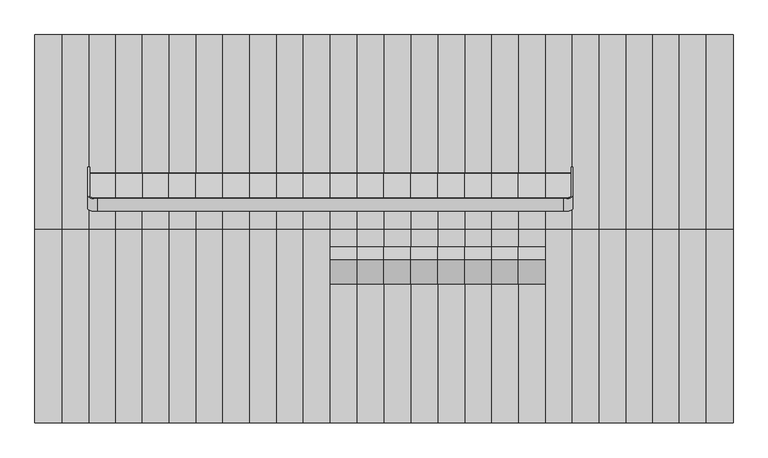
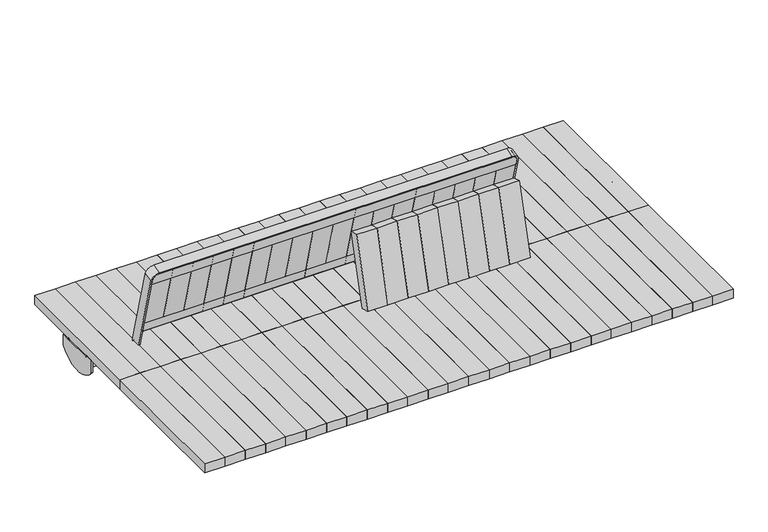
"""IFC4 building model written with IfcOpenShell, lengths in millimetres: furniture geometry."""

from ifc_helpers import new_model, si_unit, point, frame, frame_2d, origin, place, context, project, spatial, polyline, circle_curve, trimmed, segment, composite_curve, outline, extrude, source, transform, mapped, element, save
from ifc_brep_helpers import plane_surface, cylinder_surface, revolved_surface, advanced_brep


def furniture_eb3f9486(model_context):
    return source(origin(), model_context, "Body", "SolidModel", [
        advanced_brep(
        [(1073.85, 400.0, 393.1147491), (1073.85, 400.0, 347.7588499), (1073.85, 200.0, 347.7588499), (1073.85, 200.0004802, 395.6382749), (1073.85, 237.5004802, 395.6382749), (1073.85, 237.5004802, 393.1147491), (1073.85, 239.4872061, 393.1147491), (1073.85, 239.4872061, 340.151549), (1073.85, 244.4872061, 340.151549), (1073.85, 244.4872061, 393.1147491), (1073.85, 355.5132741, 393.1147491), (1073.85, 355.5132741, 340.151549), (1073.85, 360.5132741, 340.151549), (1073.85, 360.5132741, 393.1147491), (1078.85, 200.0, 347.7588499), (1078.85, 400.0, 347.7588499), (1078.85, 400.0, 393.1147491), (1078.85, 237.5004802, 393.1147491), (1078.85, 237.5004802, 400.6382749), (1078.85, 200.0004802, 400.6382749), (-1078.85, 200.0, 400.6382749), (-1078.85, 200.0, 347.7588499), (-1073.85, 200.0, 347.7588499), (-1073.85, 200.0, 395.6382749), (1073.85, 237.5004802, 400.6382749), (-1073.85, 237.5004802, 395.6382749), (-1073.85, 237.5004802, 393.1147491), (-1078.85, 237.5004802, 393.1147491), (-1078.85, 237.5004802, 395.6382749), (1073.85, 238.4872061, 400.6382749), (-1078.85, 238.4872061, 400.6382749), (-1078.85, 238.4872061, 395.6382749), (1073.85, 238.4872061, 395.6382749), (-1073.85, 400.0, 347.7588499), (-1073.85, 400.0, 393.1147491), (-1073.85, 360.5132741, 393.1147491), (-1073.85, 360.5132741, 340.151549), (-1073.85, 355.5132741, 340.151549), (-1073.85, 355.5132741, 393.1147491), (-1073.85, 244.4872061, 393.1147491), (-1073.85, 244.4872061, 340.151549), (-1073.85, 239.4872061, 340.151549), (-1073.85, 239.4872061, 393.1147491), (-1078.85, 244.4872061, 394.6382749), (-1078.85, 244.4872061, 393.1147491), (-1078.85, 355.5132741, 393.1147491), (-1078.85, 355.5132741, 394.6382749), (-1078.85, 361.5132741, 400.6382749), (-1078.85, 362.5, 400.6382749), (-1078.85, 362.5, 395.6382749), (-1078.85, 361.5132741, 395.6382749), (-1078.85, 360.5132741, 394.6382749), (-1078.85, 360.5132741, 393.1147491), (-1078.85, 400.0, 393.1147491), (-1078.85, 400.0, 347.7588499), (-1078.85, 239.4872061, 393.1147491), (-1078.85, 239.4872061, 394.6382749), (1073.85, 244.4872061, 394.6382749), (1073.85, 239.4872061, 394.6382749), (1073.85, 360.5132741, 394.6382749), (1073.85, 361.5132741, 395.6382749), (1073.85, 362.5, 395.6382749), (1073.85, 362.5, 400.6382749), (1073.85, 361.5132741, 400.6382749), (1073.85, 355.5132741, 394.6382749)],
        [
            (0, 1),
            (1, 2, circle_curve(frame((1073.85, 300.0, 421.080061), z_axis=(-1.0, 0.0, 0.0), x_axis=(0.0, 0.8064516129032312, -0.5913000896717141)), 124.0)),
            (2, 3),
            (3, 4),
            (4, 5),
            (5, 6),
            (6, 7),
            (7, 8),
            (8, 9),
            (9, 10),
            (10, 11),
            (11, 12),
            (12, 13),
            (13, 0),
            (14, 15, circle_curve(frame((1078.85, 300.0, 421.080061), z_axis=(1.0, 0.0, 0.0), x_axis=(0.0, 0.8064516129032312, -0.5913000896717141)), 124.0)),
            (15, 16),
            (16, 17),
            (17, 18),
            (18, 19),
            (19, 14),
            (2, 14),
            (19, 20),
            (20, 21),
            (21, 22),
            (22, 23),
            (23, 3),
            (16, 0),
            (13, 10),
            (9, 6),
            (5, 17),
            (15, 1),
            (4, 24),
            (24, 18),
            (25, 26),
            (26, 27),
            (27, 28),
            (28, 25),
            (24, 29),
            (29, 30),
            (30, 20),
            (23, 25),
            (28, 31),
            (31, 32),
            (32, 4),
            (22, 33, circle_curve(frame((-1073.85, 300.0, 421.080061), z_axis=(1.0, 0.0, 0.0), x_axis=(0.0, 0.8064516129032312, -0.5913000896717141)), 124.0)),
            (33, 34),
            (34, 35),
            (35, 36),
            (36, 37),
            (37, 38),
            (38, 39),
            (39, 40),
            (40, 41),
            (41, 42),
            (42, 26),
            (30, 43, circle_curve(frame((-1078.85, 238.4872061, 394.6382749), z_axis=(-1.0, 0.0, 0.0), x_axis=(0.0, -1.0, 0.0)), 6.0)),
            (43, 44),
            (44, 45),
            (45, 46),
            (46, 47, circle_curve(frame((-1078.85, 361.5132741, 394.6382749), z_axis=(-1.0, 0.0, 0.0), x_axis=(0.0, 1.0, 0.0)), 6.0)),
            (47, 48),
            (48, 49),
            (49, 50),
            (50, 51, circle_curve(frame((-1078.85, 361.5132741, 394.6382749), z_axis=(1.0, 0.0, 0.0), x_axis=(0.0, 1.0, 0.0)), 1.0)),
            (51, 52),
            (52, 53),
            (53, 54),
            (54, 21, circle_curve(frame((-1078.85, 300.0, 421.080061), z_axis=(-1.0, 0.0, 0.0), x_axis=(0.0, 0.8064516129032312, -0.5913000896717141)), 124.0)),
            (27, 55),
            (55, 56),
            (56, 31, circle_curve(frame((-1078.85, 238.4872061, 394.6382749), z_axis=(1.0, 0.0, 0.0), x_axis=(0.0, -1.0, 0.0)), 1.0)),
            (57, 29, circle_curve(frame((1073.85, 238.4872061, 394.6382749), z_axis=(1.0, 0.0, 0.0), x_axis=(0.0, -1.0, 0.0)), 6.0)),
            (32, 58, circle_curve(frame((1073.85, 238.4872061, 394.6382749), z_axis=(-1.0, 0.0, 0.0), x_axis=(0.0, -1.0, 0.0)), 1.0)),
            (58, 6),
            (9, 57),
            (7, 41),
            (40, 8),
            (43, 57),
            (39, 44),
            (56, 58),
            (55, 42),
            (59, 60, circle_curve(frame((1073.85, 361.5132741, 394.6382749), z_axis=(-1.0, 0.0, 0.0), x_axis=(0.0, 1.0, 0.0)), 1.0)),
            (60, 61),
            (61, 62),
            (62, 63),
            (63, 64, circle_curve(frame((1073.85, 361.5132741, 394.6382749), z_axis=(1.0, 0.0, 0.0), x_axis=(0.0, 1.0, 0.0)), 6.0)),
            (64, 10),
            (13, 59),
            (11, 37),
            (36, 12),
            (64, 46),
            (45, 38),
            (63, 47),
            (62, 48),
            (61, 49),
            (60, 50),
            (59, 51),
            (35, 52),
            (34, 53),
            (33, 54),
        ],
        [
            plane_surface(frame((1073.85, 200.0, 347.7588499), z_axis=(-1.0, 0.0, 0.0), x_axis=(0.0, 0.0, 1.0))),
            plane_surface(frame((1078.85, 200.0, 347.7588499), z_axis=(1.0, 0.0, 0.0), x_axis=(0.0, 0.0, -1.0))),
            plane_surface(frame((1073.85, 200.0, 347.7588499), z_axis=(0.0, -1.0, 0.0), x_axis=(1.0, 0.0, 0.0))),
            plane_surface(frame((1073.85, 200.0, 393.1147491), z_axis=(0.0, 0.0, 1.0), x_axis=(1.0, 0.0, 0.0))),
            plane_surface(frame((1073.85, 400.0, 393.1147491), z_axis=(0.0, 1.0, 0.0), x_axis=(1.0, 0.0, 0.0))),
            cylinder_surface(frame((1078.85, 300.0, 421.080061), z_axis=(-1.0000000000000002, 0.0, 0.0), x_axis=(0.0, 0.8064516129032312, -0.5913000896717141)), 124.0),
            plane_surface(frame((1073.85, 237.5004802, 393.1147491), z_axis=(0.0, 1.0, 0.0), x_axis=(0.0, 0.0, 1.0))),
            plane_surface(frame((1078.85, 200.0004802, 400.6382749), z_axis=(0.0, 0.0, 1.0), x_axis=(0.0, 1.0, 0.0))),
            plane_surface(frame((-1073.85, 200.0004802, 395.6382749), z_axis=(0.0, 0.0, -1.0), x_axis=(0.0, 1.0, 0.0))),
            plane_surface(frame((-1073.85, 200.0004802, 393.1147491), z_axis=(1.0, 0.0, 0.0), x_axis=(0.0, 1.0, 0.0))),
            plane_surface(frame((-1078.85, 200.0004802, 400.6382749), z_axis=(-1.0, 0.0, 0.0), x_axis=(0.0, 1.0, 0.0))),
            plane_surface(frame((1073.85, 239.4872061, 340.151549), z_axis=(1.0, 0.0, 0.0), x_axis=(0.0, 1.0, 0.0))),
            plane_surface(frame((1073.85, 239.4872061, 340.151549), z_axis=(0.0, 0.0, -1.0), x_axis=(-1.0, 0.0, 0.0))),
            plane_surface(frame((1073.85, 244.4872061, 340.151549), z_axis=(0.0, 1.0, 0.0), x_axis=(-1.0, 0.0, 0.0))),
            cylinder_surface(frame((-1078.85, 238.4872061, 394.6382749), z_axis=(1.0, 0.0, 0.0), x_axis=(0.0, -1.0, 0.0)), 6.0),
            revolved_surface(polyline([(-1078.85, 237.4872061, 394.6382749), (1073.85, 237.4872061, 394.6382749)]), (-1078.85, 238.4872061, 394.6382749), (-1.0, 0.0, 0.0)),
            plane_surface(frame((1073.85, 239.4872061, 394.6382749), z_axis=(0.0, -1.0, 0.0), x_axis=(-1.0, 0.0, 0.0))),
            plane_surface(frame((1073.85, 360.5132741, 394.6382749), z_axis=(1.0, 0.0, 0.0), x_axis=(0.0, 0.0, 1.0))),
            plane_surface(frame((1073.85, 355.5132741, 340.151549), z_axis=(0.0, 0.0, -1.0), x_axis=(-1.0, 0.0, 0.0))),
            plane_surface(frame((1073.85, 355.5132741, 394.6382749), z_axis=(0.0, -1.0, 0.0), x_axis=(-1.0, 0.0, 0.0))),
            cylinder_surface(frame((-1078.85, 361.5132741, 394.6382749), z_axis=(1.0, 0.0, 0.0), x_axis=(0.0, 1.0, 0.0)), 6.0),
            plane_surface(frame((1073.85, 362.5, 400.6382749), z_axis=(0.0, 0.0, 1.0), x_axis=(-1.0, 0.0, 0.0))),
            plane_surface(frame((1073.85, 362.5, 395.6382749), z_axis=(0.0, 1.0, 0.0), x_axis=(-1.0, 0.0, 0.0))),
            plane_surface(frame((1073.85, 361.5132741, 395.6382749), z_axis=(0.0, 0.0, -1.0), x_axis=(-1.0, 0.0, 0.0))),
            revolved_surface(polyline([(-1078.85, 362.5132741, 394.6382749), (1073.85, 362.5132741, 394.6382749)]), (-1078.85, 361.5132741, 394.6382749), (-1.0, 0.0, 0.0)),
            plane_surface(frame((1073.85, 360.5132741, 340.151549), z_axis=(0.0, 1.0, 0.0), x_axis=(-1.0, 0.0, 0.0))),
            plane_surface(frame((-1073.85, 400.0, 393.1147491), z_axis=(0.0, 0.0, 1.0), x_axis=(-1.0, 0.0, 0.0))),
            plane_surface(frame((-1073.85, 400.0, 347.7588499), z_axis=(0.0, 1.0, 0.0), x_axis=(-1.0, 0.0, 0.0))),
            cylinder_surface(frame((-1078.85, 300.0, 421.080061), z_axis=(1.0000000000000002, 0.0, 0.0), x_axis=(0.0, 0.8064516129032312, -0.5913000896717141)), 124.0),
        ],
        [
            (0, [[1, 2, 3, 4, 5, 6, 7, 8, 9, 10, 11, 12, 13, 14]]),
            (1, [[15, 16, 17, 18, 19, 20]]),
            (2, [[21, -20, 22, 23, 24, 25, 26, -3]]),
            (3, [[27, -14, 28, -10, 29, -6, 30, -17]]),
            (4, [[-1, -27, -16, 31]]),
            (5, [[-2, -31, -15, -21]]),
            (6, [[-18, -30, -5, 32, 33]]),
            (6, [[34, 35, 36, 37]]),
            (7, [[-22, -19, -33, 38, 39, 40]]),
            (8, [[-26, 41, -37, 42, 43, 44, -4]]),
            (9, [[-25, 45, 46, 47, 48, 49, 50, 51, 52, 53, 54, 55, -34, -41]]),
            (10, [[-23, -40, 56, 57, 58, 59, 60, 61, 62, 63, 64, 65, 66, 67, 68], [-36, 69, 70, 71, -42]]),
            (11, [[72, -38, -32, -44, 73, 74, -29, 75]]),
            (12, [[-8, 76, -53, 77]]),
            (13, [[78, -75, -9, -77, -52, 79, -57]]),
            (14, [[-72, -78, -56, -39]]),
            (15, [[-73, -43, -71, 80]]),
            (16, [[-80, -70, 81, -54, -76, -7, -74]]),
            (17, [[82, 83, 84, 85, 86, 87, -28, 88]]),
            (18, [[-12, 89, -49, 90]]),
            (19, [[91, -59, 92, -50, -89, -11, -87]]),
            (20, [[-86, 93, -60, -91]]),
            (21, [[-85, 94, -61, -93]]),
            (22, [[-84, 95, -62, -94]]),
            (23, [[-83, 96, -63, -95]]),
            (24, [[-82, 97, -64, -96]]),
            (25, [[-97, -88, -13, -90, -48, 98, -65]]),
            (26, [[-69, -35, -55, -81]]),
            (26, [[-58, -79, -51, -92]]),
            (26, [[99, -66, -98, -47]]),
            (27, [[-46, 100, -67, -99]]),
            (28, [[-45, -24, -68, -100]]),
        ],
    ),
        extrude(outline(polyline([(83.1700951, 0.0), (0.0, 0.0), (0.0, 600.0), (83.1700951, 600.0), (83.1700951, 0.0)])), frame((0.0, 0.0, 400.6382749), z_axis=(0.0, 0.0, 1.0), x_axis=(1.0, 0.0, 0.0)), (0.0, 0.0, 1.0), 39.120575),
        extrude(outline(polyline([(165.5884938, 0.0), (83.1700951, 0.0), (83.1700951, 600.0), (165.5884938, 600.0), (165.5884938, 0.0)])), frame((0.0, 0.0, 400.6382749), z_axis=(0.0, 0.0, 1.0), x_axis=(1.0, 0.0, 0.0)), (0.0, 0.0, 1.0), 39.120575),
        extrude(outline(polyline([(249.0266735, 0.0), (165.5884938, 0.0), (165.5884938, 600.0), (249.0266735, 600.0), (249.0266735, 0.0)])), frame((0.0, 0.0, 400.6382749), z_axis=(0.0, 0.0, 1.0), x_axis=(1.0, 0.0, 0.0)), (0.0, 0.0, 1.0), 39.120575),
        extrude(outline(polyline([(331.8102592, 0.0), (249.0266735, 0.0), (249.0266735, 600.0), (331.8102592, 600.0), (331.8102592, 0.0)])), frame((0.0, 0.0, 400.6382749), z_axis=(0.0, 0.0, 1.0), x_axis=(1.0, 0.0, 0.0)), (0.0, 0.0, 1.0), 39.120575),
        extrude(outline(polyline([(415.2051572, 0.0), (331.8102592, 0.0), (331.8102592, 600.0), (415.2051572, 600.0), (415.2051572, 0.0)])), frame((0.0, 0.0, 400.6382749), z_axis=(0.0, 0.0, 1.0), x_axis=(1.0, 0.0, 0.0)), (0.0, 0.0, 1.0), 39.120575),
        extrude(outline(polyline([(498.7851293, 0.0), (415.2051572, 0.0), (415.2051572, 600.0), (498.7851293, 600.0), (498.7851293, 0.0)])), frame((0.0, 0.0, 400.6382749), z_axis=(0.0, 0.0, 1.0), x_axis=(1.0, 0.0, 0.0)), (0.0, 0.0, 1.0), 39.120575),
        extrude(outline(polyline([(580.2051572, 0.0), (498.7851293, 0.0), (498.7851293, 600.0), (580.2051572, 600.0), (580.2051572, 0.0)])), frame((0.0, 0.0, 400.6382749), z_axis=(0.0, 0.0, 1.0), x_axis=(1.0, 0.0, 0.0)), (0.0, 0.0, 1.0), 39.120575),
        extrude(outline(polyline([(663.7851293, 0.0), (580.2051572, 0.0), (580.2051572, 600.0), (663.7851293, 600.0), (663.7851293, 0.0)])), frame((0.0, 0.0, 400.6382749), z_axis=(0.0, 0.0, 1.0), x_axis=(1.0, 0.0, 0.0)), (0.0, 0.0, 1.0), 39.120575),
        extrude(outline(polyline([(746.8041619, 0.0), (663.7851293, 0.0), (663.7851293, 600.0), (746.8041619, 600.0), (746.8041619, 0.0)])), frame((0.0, 0.0, 400.6382749), z_axis=(0.0, 0.0, 1.0), x_axis=(1.0, 0.0, 0.0)), (0.0, 0.0, 1.0), 39.120575),
        extrude(outline(polyline([(1078.85, 0.0), (996.3916762, 0.0), (996.3916762, 600.0), (1078.85, 600.0), (1078.85, 0.0)])), frame((0.0, 0.0, 400.6382749), z_axis=(0.0, 0.0, 1.0), x_axis=(1.0, 0.0, 0.0)), (0.0, 0.0, 1.0), 39.120575),
        extrude(outline(polyline([(996.3916762, 0.0), (913.1958381, 0.0), (913.1958381, 600.0), (996.3916762, 600.0), (996.3916762, 0.0)])), frame((0.0, 0.0, 400.6382749), z_axis=(0.0, 0.0, 1.0), x_axis=(1.0, 0.0, 0.0)), (0.0, 0.0, 1.0), 39.120575),
        extrude(outline(polyline([(913.1958381, 0.0), (830.0, 0.0), (830.0, 600.0), (913.1958381, 600.0), (913.1958381, 0.0)])), frame((0.0, 0.0, 400.6382749), z_axis=(0.0, 0.0, 1.0), x_axis=(1.0, 0.0, 0.0)), (0.0, 0.0, 1.0), 39.120575),
        extrude(outline(polyline([(830.0, 0.0), (746.8041619, 0.0), (746.8041619, 600.0), (830.0, 600.0), (830.0, 0.0)])), frame((0.0, 0.0, 400.6382749), z_axis=(0.0, 0.0, 1.0), x_axis=(1.0, 0.0, 0.0)), (0.0, 0.0, 1.0), 39.120575),
        extrude(outline(polyline([(-83.1700951, 0.0), (-83.1700951, 600.0), (0.0, 600.0), (0.0, 0.0), (-83.1700951, 0.0)])), frame((0.0, 0.0, 400.6382749), z_axis=(0.0, 0.0, 1.0), x_axis=(1.0, 0.0, 0.0)), (0.0, 0.0, 1.0), 39.120575),
        extrude(outline(polyline([(-165.5884938, 0.0), (-165.5884938, 600.0), (-83.1700951, 600.0), (-83.1700951, 0.0), (-165.5884938, 0.0)])), frame((0.0, 0.0, 400.6382749), z_axis=(0.0, 0.0, 1.0), x_axis=(1.0, 0.0, 0.0)), (0.0, 0.0, 1.0), 39.120575),
        extrude(outline(polyline([(-249.0266735, 0.0), (-249.0266735, 600.0), (-165.5884938, 600.0), (-165.5884938, 0.0), (-249.0266735, 0.0)])), frame((0.0, 0.0, 400.6382749), z_axis=(0.0, 0.0, 1.0), x_axis=(1.0, 0.0, 0.0)), (0.0, 0.0, 1.0), 39.120575),
        extrude(outline(polyline([(-331.8102592, 0.0), (-331.8102592, 600.0), (-249.0266735, 600.0), (-249.0266735, 0.0), (-331.8102592, 0.0)])), frame((0.0, 0.0, 400.6382749), z_axis=(0.0, 0.0, 1.0), x_axis=(1.0, 0.0, 0.0)), (0.0, 0.0, 1.0), 39.120575),
        extrude(outline(polyline([(-415.2051572, 0.0), (-415.2051572, 600.0), (-331.8102592, 600.0), (-331.8102592, 0.0), (-415.2051572, 0.0)])), frame((0.0, 0.0, 400.6382749), z_axis=(0.0, 0.0, 1.0), x_axis=(1.0, 0.0, 0.0)), (0.0, 0.0, 1.0), 39.120575),
        extrude(outline(polyline([(-498.7851293, 0.0), (-498.7851293, 600.0), (-415.2051572, 600.0), (-415.2051572, 0.0), (-498.7851293, 0.0)])), frame((0.0, 0.0, 400.6382749), z_axis=(0.0, 0.0, 1.0), x_axis=(1.0, 0.0, 0.0)), (0.0, 0.0, 1.0), 39.120575),
        extrude(outline(polyline([(-580.2051572, 0.0), (-580.2051572, 600.0), (-498.7851293, 600.0), (-498.7851293, 0.0), (-580.2051572, 0.0)])), frame((0.0, 0.0, 400.6382749), z_axis=(0.0, 0.0, 1.0), x_axis=(1.0, 0.0, 0.0)), (0.0, 0.0, 1.0), 39.120575),
        extrude(outline(polyline([(-663.7851293, 0.0), (-663.7851293, 600.0), (-580.2051572, 600.0), (-580.2051572, 0.0), (-663.7851293, 0.0)])), frame((0.0, 0.0, 400.6382749), z_axis=(0.0, 0.0, 1.0), x_axis=(1.0, 0.0, 0.0)), (0.0, 0.0, 1.0), 39.120575),
        extrude(outline(polyline([(-746.8041619, 0.0), (-746.8041619, 600.0), (-663.7851293, 600.0), (-663.7851293, 0.0), (-746.8041619, 0.0)])), frame((0.0, 0.0, 400.6382749), z_axis=(0.0, 0.0, 1.0), x_axis=(1.0, 0.0, 0.0)), (0.0, 0.0, 1.0), 39.120575),
        extrude(outline(polyline([(-1078.85, 0.0), (-1078.85, 600.0), (-996.3916762, 600.0), (-996.3916762, 0.0), (-1078.85, 0.0)])), frame((0.0, 0.0, 400.6382749), z_axis=(0.0, 0.0, 1.0), x_axis=(1.0, 0.0, 0.0)), (0.0, 0.0, 1.0), 39.120575),
        extrude(outline(polyline([(-996.3916762, 0.0), (-996.3916762, 600.0), (-913.1958381, 600.0), (-913.1958381, 0.0), (-996.3916762, 0.0)])), frame((0.0, 0.0, 400.6382749), z_axis=(0.0, 0.0, 1.0), x_axis=(1.0, 0.0, 0.0)), (0.0, 0.0, 1.0), 39.120575),
        extrude(outline(polyline([(-913.1958381, 0.0), (-913.1958381, 600.0), (-830.0, 600.0), (-830.0, 0.0), (-913.1958381, 0.0)])), frame((0.0, 0.0, 400.6382749), z_axis=(0.0, 0.0, 1.0), x_axis=(1.0, 0.0, 0.0)), (0.0, 0.0, 1.0), 39.120575),
        extrude(outline(polyline([(-830.0, 0.0), (-830.0, 600.0), (-746.8041619, 600.0), (-746.8041619, 0.0), (-830.0, 0.0)])), frame((0.0, 0.0, 400.6382749), z_axis=(0.0, 0.0, 1.0), x_axis=(1.0, 0.0, 0.0)), (0.0, 0.0, 1.0), 39.120575),
        extrude(outline(polyline([(83.1700951, 0.0), (83.1700951, -600.0), (0.0, -600.0), (0.0, 0.0), (83.1700951, 0.0)])), frame((0.0, 0.0, 400.6382749), z_axis=(0.0, 0.0, 1.0), x_axis=(1.0, 0.0, 0.0)), (0.0, 0.0, 1.0), 39.120575),
        extrude(outline(polyline([(165.5884938, 0.0), (165.5884938, -600.0), (83.1700951, -600.0), (83.1700951, 0.0), (165.5884938, 0.0)])), frame((0.0, 0.0, 400.6382749), z_axis=(0.0, 0.0, 1.0), x_axis=(1.0, 0.0, 0.0)), (0.0, 0.0, 1.0), 39.120575),
        extrude(outline(polyline([(249.0266735, 0.0), (249.0266735, -600.0), (165.5884938, -600.0), (165.5884938, 0.0), (249.0266735, 0.0)])), frame((0.0, 0.0, 400.6382749), z_axis=(0.0, 0.0, 1.0), x_axis=(1.0, 0.0, 0.0)), (0.0, 0.0, 1.0), 39.120575),
        extrude(outline(polyline([(331.8102592, 0.0), (331.8102592, -600.0), (249.0266735, -600.0), (249.0266735, 0.0), (331.8102592, 0.0)])), frame((0.0, 0.0, 400.6382749), z_axis=(0.0, 0.0, 1.0), x_axis=(1.0, 0.0, 0.0)), (0.0, 0.0, 1.0), 39.120575),
        extrude(outline(polyline([(415.2051572, 0.0), (415.2051572, -600.0), (331.8102592, -600.0), (331.8102592, 0.0), (415.2051572, 0.0)])), frame((0.0, 0.0, 400.6382749), z_axis=(0.0, 0.0, 1.0), x_axis=(1.0, 0.0, 0.0)), (0.0, 0.0, 1.0), 39.120575),
        extrude(outline(polyline([(498.7851293, 0.0), (498.7851293, -600.0), (415.2051572, -600.0), (415.2051572, 0.0), (498.7851293, 0.0)])), frame((0.0, 0.0, 400.6382749), z_axis=(0.0, 0.0, 1.0), x_axis=(1.0, 0.0, 0.0)), (0.0, 0.0, 1.0), 39.120575),
        extrude(outline(polyline([(580.2051572, 0.0), (580.2051572, -600.0), (498.7851293, -600.0), (498.7851293, 0.0), (580.2051572, 0.0)])), frame((0.0, 0.0, 400.6382749), z_axis=(0.0, 0.0, 1.0), x_axis=(1.0, 0.0, 0.0)), (0.0, 0.0, 1.0), 39.120575),
        extrude(outline(polyline([(663.7851293, 0.0), (663.7851293, -600.0), (580.2051572, -600.0), (580.2051572, 0.0), (663.7851293, 0.0)])), frame((0.0, 0.0, 400.6382749), z_axis=(0.0, 0.0, 1.0), x_axis=(1.0, 0.0, 0.0)), (0.0, 0.0, 1.0), 39.120575),
        extrude(outline(polyline([(746.8041619, 0.0), (746.8041619, -600.0), (663.7851293, -600.0), (663.7851293, 0.0), (746.8041619, 0.0)])), frame((0.0, 0.0, 400.6382749), z_axis=(0.0, 0.0, 1.0), x_axis=(1.0, 0.0, 0.0)), (0.0, 0.0, 1.0), 39.120575),
        extrude(outline(polyline([(1078.85, 0.0), (1078.85, -600.0), (996.3916762, -600.0), (996.3916762, 0.0), (1078.85, 0.0)])), frame((0.0, 0.0, 400.6382749), z_axis=(0.0, 0.0, 1.0), x_axis=(1.0, 0.0, 0.0)), (0.0, 0.0, 1.0), 39.120575),
        extrude(outline(polyline([(996.3916762, 0.0), (996.3916762, -600.0), (913.1958381, -600.0), (913.1958381, 0.0), (996.3916762, 0.0)])), frame((0.0, 0.0, 400.6382749), z_axis=(0.0, 0.0, 1.0), x_axis=(1.0, 0.0, 0.0)), (0.0, 0.0, 1.0), 39.120575),
        extrude(outline(polyline([(913.1958381, 0.0), (913.1958381, -600.0), (830.0, -600.0), (830.0, 0.0), (913.1958381, 0.0)])), frame((0.0, 0.0, 400.6382749), z_axis=(0.0, 0.0, 1.0), x_axis=(1.0, 0.0, 0.0)), (0.0, 0.0, 1.0), 39.120575),
        extrude(outline(polyline([(830.0, 0.0), (830.0, -600.0), (746.8041619, -600.0), (746.8041619, 0.0), (830.0, 0.0)])), frame((0.0, 0.0, 400.6382749), z_axis=(0.0, 0.0, 1.0), x_axis=(1.0, 0.0, 0.0)), (0.0, 0.0, 1.0), 39.120575),
        extrude(outline(polyline([(-83.1700951, 0.0), (0.0, 0.0), (0.0, -600.0), (-83.1700951, -600.0), (-83.1700951, 0.0)])), frame((0.0, 0.0, 400.6382749), z_axis=(0.0, 0.0, 1.0), x_axis=(1.0, 0.0, 0.0)), (0.0, 0.0, 1.0), 39.120575),
        extrude(outline(polyline([(-165.5884938, 0.0), (-83.1700951, 0.0), (-83.1700951, -600.0), (-165.5884938, -600.0), (-165.5884938, 0.0)])), frame((0.0, 0.0, 400.6382749), z_axis=(0.0, 0.0, 1.0), x_axis=(1.0, 0.0, 0.0)), (0.0, 0.0, 1.0), 39.120575),
        extrude(outline(polyline([(-249.0266735, 0.0), (-165.5884938, 0.0), (-165.5884938, -600.0), (-249.0266735, -600.0), (-249.0266735, 0.0)])), frame((0.0, 0.0, 400.6382749), z_axis=(0.0, 0.0, 1.0), x_axis=(1.0, 0.0, 0.0)), (0.0, 0.0, 1.0), 39.120575),
        extrude(outline(polyline([(-331.8102592, 0.0), (-249.0266735, 0.0), (-249.0266735, -600.0), (-331.8102592, -600.0), (-331.8102592, 0.0)])), frame((0.0, 0.0, 400.6382749), z_axis=(0.0, 0.0, 1.0), x_axis=(1.0, 0.0, 0.0)), (0.0, 0.0, 1.0), 39.120575),
        extrude(outline(polyline([(-415.2051572, 0.0), (-331.8102592, 0.0), (-331.8102592, -600.0), (-415.2051572, -600.0), (-415.2051572, 0.0)])), frame((0.0, 0.0, 400.6382749), z_axis=(0.0, 0.0, 1.0), x_axis=(1.0, 0.0, 0.0)), (0.0, 0.0, 1.0), 39.120575),
        extrude(outline(polyline([(-498.7851293, 0.0), (-415.2051572, 0.0), (-415.2051572, -600.0), (-498.7851293, -600.0), (-498.7851293, 0.0)])), frame((0.0, 0.0, 400.6382749), z_axis=(0.0, 0.0, 1.0), x_axis=(1.0, 0.0, 0.0)), (0.0, 0.0, 1.0), 39.120575),
        extrude(outline(polyline([(-580.2051572, 0.0), (-498.7851293, 0.0), (-498.7851293, -600.0), (-580.2051572, -600.0), (-580.2051572, 0.0)])), frame((0.0, 0.0, 400.6382749), z_axis=(0.0, 0.0, 1.0), x_axis=(1.0, 0.0, 0.0)), (0.0, 0.0, 1.0), 39.120575),
        extrude(outline(polyline([(-663.7851293, 0.0), (-580.2051572, 0.0), (-580.2051572, -600.0), (-663.7851293, -600.0), (-663.7851293, 0.0)])), frame((0.0, 0.0, 400.6382749), z_axis=(0.0, 0.0, 1.0), x_axis=(1.0, 0.0, 0.0)), (0.0, 0.0, 1.0), 39.120575),
        extrude(outline(polyline([(-746.8041619, 0.0), (-663.7851293, 0.0), (-663.7851293, -600.0), (-746.8041619, -600.0), (-746.8041619, 0.0)])), frame((0.0, 0.0, 400.6382749), z_axis=(0.0, 0.0, 1.0), x_axis=(1.0, 0.0, 0.0)), (0.0, 0.0, 1.0), 39.120575),
        extrude(outline(polyline([(-1078.85, 0.0), (-996.3916762, 0.0), (-996.3916762, -600.0), (-1078.85, -600.0), (-1078.85, 0.0)])), frame((0.0, 0.0, 400.6382749), z_axis=(0.0, 0.0, 1.0), x_axis=(1.0, 0.0, 0.0)), (0.0, 0.0, 1.0), 39.120575),
        extrude(outline(polyline([(-996.3916762, 0.0), (-913.1958381, 0.0), (-913.1958381, -600.0), (-996.3916762, -600.0), (-996.3916762, 0.0)])), frame((0.0, 0.0, 400.6382749), z_axis=(0.0, 0.0, 1.0), x_axis=(1.0, 0.0, 0.0)), (0.0, 0.0, 1.0), 39.120575),
        extrude(outline(polyline([(-913.1958381, 0.0), (-830.0, 0.0), (-830.0, -600.0), (-913.1958381, -600.0), (-913.1958381, 0.0)])), frame((0.0, 0.0, 400.6382749), z_axis=(0.0, 0.0, 1.0), x_axis=(1.0, 0.0, 0.0)), (0.0, 0.0, 1.0), 39.120575),
        extrude(outline(polyline([(-830.0, 0.0), (-746.8041619, 0.0), (-746.8041619, -600.0), (-830.0, -600.0), (-830.0, 0.0)])), frame((0.0, 0.0, 400.6382749), z_axis=(0.0, 0.0, 1.0), x_axis=(1.0, 0.0, 0.0)), (0.0, 0.0, 1.0), 39.120575),
        extrude(outline(composite_curve([segment(polyline([(0.9998586, 0.0), (0.9998586, -20.0)]), True, "CONTINUOUS"), segment(trimmed(circle_curve(frame_2d((-24.0001414, -20.0)), 25.0), [point((0.9998586, -20.0))], [point((-24.0001414, -45.0))], False, "CARTESIAN"), True, "CONTINUOUS"), segment(polyline([(-24.0001414, -45.0), (-1462.0, -45.0)]), True, "CONTINUOUS"), segment(trimmed(circle_curve(frame_2d((-1462.0, -20.0)), 25.0), [point((-1462.0, -45.0))], [point((-1487.0, -20.0))], False, "CARTESIAN"), True, "CONTINUOUS"), segment(polyline([(-1487.0, -20.0), (-1487.0, 0.0), (0.9998586, 0.0)]), True, "CONTINUOUS")], self_intersect=False)), frame((576.999983, 67.646857, 750.5763487), z_axis=(0.0, 0.9659258262890719, 0.25881904510250753), x_axis=(1.0, 0.0, 0.0)), (0.0, 0.0, 1.0), 3.0),
        advanced_brep(
        [(-910.000017, 156.1796204, 420.1675778), (-910.000017, 180.327766, 401.6380539), (-910.000017, 535.5529143, 401.6380539), (-910.000017, 545.5529143, 411.6380539), (-910.000017, 545.5529143, 423.6380539), (-910.000017, 535.5529143, 433.6380539), (-910.000017, 197.8178993, 433.6380539), (-910.000017, 192.9882702, 437.3439587), (-910.000017, 101.1075092, 780.247627), (-910.000017, 62.4704761, 769.8948652), (-916.000017, 192.9882702, 437.3439587), (-916.000017, 197.8178993, 433.6380539), (-916.000017, 535.5529143, 433.6380539), (-916.000017, 545.5529143, 423.6380539), (-916.000017, 545.5529143, 411.6380539), (-916.000017, 535.5529143, 401.6380539), (-916.000017, 180.327766, 401.6380539), (-916.000017, 156.1796204, 420.1675778), (-916.000017, 62.2116571, 770.860791), (-916.000017, 100.8486901, 781.2135528), (-886.000017, 93.0841188, 810.1913276), (553.9998416, 93.0841188, 810.1913276), (583.9998416, 100.8486901, 781.2135528), (583.9998416, 192.9882702, 437.3439587), (577.9998416, 192.9882702, 437.3439587), (577.9998416, 101.1075092, 780.247627), (552.9998416, 94.6370331, 804.3957727), (-885.000017, 94.6370331, 804.3957727), (-885.000017, 56.0, 794.0430109), (552.9998416, 56.0, 794.0430109), (577.9998416, 62.4704761, 769.8948652), (577.9998416, 156.1796204, 420.1675778), (583.9998416, 156.1796204, 420.1675778), (583.9998416, 62.2116571, 770.860791), (553.9998416, 54.4470857, 799.8385658), (-886.000017, 54.4470857, 799.8385658), (577.9998416, 197.8178993, 433.6380539), (577.9998416, 535.5529143, 433.6380539), (577.9998416, 545.5529143, 423.6380539), (577.9998416, 545.5529143, 411.6380539), (577.9998416, 535.5529143, 401.6380539), (577.9998416, 180.327766, 401.6380539), (583.9998416, 180.327766, 401.6380539), (583.9998416, 535.5529143, 401.6380539), (583.9998416, 545.5529143, 411.6380539), (583.9998416, 545.5529143, 423.6380539), (583.9998416, 535.5529143, 433.6380539), (583.9998416, 197.8178993, 433.6380539)],
        [
            (0, 1, circle_curve(frame((-910.000017, 180.327766, 426.6380539), z_axis=(1.0, 0.0, 0.0), x_axis=(0.0, 0.0, -1.0)), 25.0)),
            (1, 2),
            (2, 3, circle_curve(frame((-910.000017, 535.5529143, 411.6380539), z_axis=(1.0, 0.0, 0.0), x_axis=(0.0, 1.0, 0.0)), 10.0)),
            (3, 4),
            (4, 5, circle_curve(frame((-910.000017, 535.5529143, 423.6380539), z_axis=(1.0, 0.0, 0.0), x_axis=(0.0, 1.0, 0.0)), 10.0)),
            (5, 6),
            (6, 7, circle_curve(frame((-910.000017, 197.8178993, 438.6380539), z_axis=(-1.0, 0.0, 0.0), x_axis=(0.0, 0.0, -1.0)), 5.0)),
            (7, 8),
            (8, 9),
            (9, 0),
            (10, 11, circle_curve(frame((-916.000017, 197.8178993, 438.6380539), z_axis=(1.0, 0.0, 0.0), x_axis=(0.0, 0.0, -1.0)), 5.0)),
            (11, 12),
            (12, 13, circle_curve(frame((-916.000017, 535.5529143, 423.6380539), z_axis=(-1.0, 0.0, 0.0), x_axis=(0.0, 1.0, 0.0)), 10.0)),
            (13, 14),
            (14, 15, circle_curve(frame((-916.000017, 535.5529143, 411.6380539), z_axis=(-1.0, 0.0, 0.0), x_axis=(0.0, 1.0, 0.0)), 10.0)),
            (15, 16),
            (16, 17, circle_curve(frame((-916.000017, 180.327766, 426.6380539), z_axis=(-1.0, 0.0, 0.0), x_axis=(0.0, 0.0, -1.0)), 25.0)),
            (17, 18),
            (18, 19),
            (19, 10),
            (7, 10),
            (19, 20, circle_curve(frame((-886.000017, 100.8486901, 781.2135528), z_axis=(0.0, 0.9659258262890719, 0.25881904510250753), x_axis=(0.0, 0.25881904510250753, -0.9659258262890719)), 30.0)),
            (20, 21),
            (21, 22, circle_curve(frame((553.9998416, 100.8486901, 781.2135528), z_axis=(0.0, 0.9659258262890719, 0.25881904510250753), x_axis=(0.0, 0.25881904510250753, -0.9659258262890719)), 30.0)),
            (22, 23),
            (23, 24),
            (24, 25),
            (25, 26, circle_curve(frame((552.9998416, 101.1075092, 780.247627), z_axis=(0.0, -0.9659258262890719, -0.25881904510250753), x_axis=(0.0, 0.25881904510250753, -0.9659258262890719)), 25.0)),
            (26, 27),
            (27, 8, circle_curve(frame((-885.000017, 101.1075092, 780.247627), z_axis=(0.0, -0.9659258262890719, -0.25881904510250753), x_axis=(0.0, 0.25881904510250753, -0.9659258262890719)), 25.0)),
            (6, 11),
            (0, 17),
            (16, 1),
            (9, 28, circle_curve(frame((-885.000017, 62.4704761, 769.8948652), z_axis=(0.0, 0.9659258262890719, 0.25881904510250753), x_axis=(0.0, 0.25881904510250753, -0.9659258262890719)), 25.0)),
            (28, 29),
            (29, 30, circle_curve(frame((552.9998416, 62.4704761, 769.8948652), z_axis=(0.0, 0.9659258262890719, 0.25881904510250753), x_axis=(0.0, 0.25881904510250753, -0.9659258262890719)), 25.0)),
            (30, 31),
            (31, 32),
            (32, 33),
            (33, 34, circle_curve(frame((553.9998416, 62.2116571, 770.860791), z_axis=(0.0, -0.9659258262890719, -0.25881904510250753), x_axis=(0.0, 0.25881904510250753, -0.9659258262890719)), 30.0)),
            (34, 35),
            (35, 18, circle_curve(frame((-886.000017, 62.2116571, 770.860791), z_axis=(0.0, -0.9659258262890719, -0.25881904510250753), x_axis=(0.0, 0.25881904510250753, -0.9659258262890719)), 30.0)),
            (5, 12),
            (4, 13),
            (3, 14),
            (2, 15),
            (35, 20),
            (34, 21),
            (28, 27),
            (26, 29),
            (33, 22),
            (25, 30),
            (24, 36, circle_curve(frame((577.9998416, 197.8178993, 438.6380539), z_axis=(1.0, 0.0, 0.0), x_axis=(0.0, 0.0, -1.0)), 5.0)),
            (36, 37),
            (37, 38, circle_curve(frame((577.9998416, 535.5529143, 423.6380539), z_axis=(-1.0, 0.0, 0.0), x_axis=(0.0, 1.0, 0.0)), 10.0)),
            (38, 39),
            (39, 40, circle_curve(frame((577.9998416, 535.5529143, 411.6380539), z_axis=(-1.0, 0.0, 0.0), x_axis=(0.0, 1.0, 0.0)), 10.0)),
            (40, 41),
            (41, 31, circle_curve(frame((577.9998416, 180.327766, 426.6380539), z_axis=(-1.0, 0.0, 0.0), x_axis=(0.0, 0.0, -1.0)), 25.0)),
            (32, 42, circle_curve(frame((583.9998416, 180.327766, 426.6380539), z_axis=(1.0, 0.0, 0.0), x_axis=(0.0, 0.0, -1.0)), 25.0)),
            (42, 43),
            (43, 44, circle_curve(frame((583.9998416, 535.5529143, 411.6380539), z_axis=(1.0, 0.0, 0.0), x_axis=(0.0, 1.0, 0.0)), 10.0)),
            (44, 45),
            (45, 46, circle_curve(frame((583.9998416, 535.5529143, 423.6380539), z_axis=(1.0, 0.0, 0.0), x_axis=(0.0, 1.0, 0.0)), 10.0)),
            (46, 47),
            (47, 23, circle_curve(frame((583.9998416, 197.8178993, 438.6380539), z_axis=(-1.0, 0.0, 0.0), x_axis=(0.0, 0.0, -1.0)), 5.0)),
            (47, 36),
            (41, 42),
            (46, 37),
            (45, 38),
            (44, 39),
            (43, 40),
        ],
        [
            plane_surface(frame((-910.000017, 74.6349712, 724.4963514), z_axis=(1.0, 0.0, 0.0), x_axis=(0.0, -0.9659258262890693, -0.258819045102517))),
            plane_surface(frame((-916.000017, 74.6349712, 724.4963514), z_axis=(-1.0, 0.0, 0.0), x_axis=(0.0, 0.9659258262890693, 0.258819045102517))),
            plane_surface(frame((-910.000017, 192.9882702, 437.3439587), z_axis=(0.0, 0.9659258262890754, 0.2588190451024944), x_axis=(-1.0, 0.0, 0.0))),
            revolved_surface(polyline([(-916.000017, 197.8178993, 433.6380539), (-910.000017, 197.8178993, 433.6380539)]), (-916.000017, 197.8178993, 438.6380539), (-1.0, 0.0, 0.0)),
            cylinder_surface(frame((-916.000017, 180.327766, 426.6380539), z_axis=(1.0, 0.0, 0.0), x_axis=(0.0, 0.0, -1.0)), 25.0),
            plane_surface(frame((-910.000017, 74.6349712, 724.4963514), z_axis=(0.0, -0.9659258262890719, -0.2588190451025076), x_axis=(-1.0, 0.0, 0.0))),
            plane_surface(frame((-910.000017, 535.5529143, 433.6380539), z_axis=(0.0, 0.0, 1.0), x_axis=(-1.0, 0.0, 0.0))),
            cylinder_surface(frame((-916.000017, 535.5529143, 423.6380539), z_axis=(1.0, 0.0, 0.0), x_axis=(0.0, 1.0, 0.0)), 10.0),
            plane_surface(frame((-910.000017, 545.5529143, 411.6380539), z_axis=(0.0, 1.0, 0.0), x_axis=(-1.0, 0.0, 0.0))),
            cylinder_surface(frame((-916.000017, 535.5529143, 411.6380539), z_axis=(1.0, 0.0, 0.0), x_axis=(0.0, 1.0, 0.0)), 10.0),
            plane_surface(frame((-910.000017, 180.327766, 401.6380539), z_axis=(0.0, 0.0, -1.0), x_axis=(-1.0, 0.0, 0.0))),
            cylinder_surface(frame((-886.000017, 100.8486901, 781.2135528), z_axis=(0.0, -0.9659258262890719, -0.25881904510250753), x_axis=(0.0, 0.25881904510250753, -0.9659258262890719)), 30.0),
            plane_surface(frame((-166.0000877, 54.4470857, 799.8385658), z_axis=(0.0, -0.25881904510250753, 0.9659258262890719), x_axis=(0.0, 0.9659258262890719, 0.25881904510250753))),
            plane_surface(frame((-885.000017, 56.0, 794.0430109), z_axis=(0.0, 0.2588190451025075, -0.9659258262890719), x_axis=(0.0, 0.9659258262890719, 0.2588190451025075))),
            revolved_surface(polyline([(-885.000017, 107.57798536397232, 756.0994813525291), (-885.000017, 68.94095223183245, 745.7467195268383)]), (-885.000017, 101.1075092, 780.247627), (0.0, 0.9659258262890719, 0.25881904510250753)),
            cylinder_surface(frame((553.9998416, 100.8486901, 781.2135528), z_axis=(0.0, -0.9659258262890719, -0.25881904510250753), x_axis=(0.0, 0.25881904510250753, -0.9659258262890719)), 30.0),
            revolved_surface(polyline([(552.9998416, 107.57798536397232, 756.0994813525291), (552.9998416, 68.94095223183245, 745.7467195268383)]), (552.9998416, 101.1075092, 780.247627), (0.0, 0.9659258262890719, 0.25881904510250753)),
            plane_surface(frame((577.9998416, 62.4704761, 769.8948652), z_axis=(-1.0, 0.0, 0.0), x_axis=(0.0, 0.9659258262890719, 0.2588190451025075))),
            plane_surface(frame((583.9998416, 74.6349712, 724.4963514), z_axis=(1.0, 0.0, 0.0), x_axis=(0.0, 0.9659258262890719, 0.25881904510250753))),
            revolved_surface(polyline([(583.9998416, 197.8178993, 433.6380539), (577.9998416, 197.8178993, 433.6380539)]), (583.9998416, 197.8178993, 438.6380539), (1.0, 0.0, 0.0)),
            cylinder_surface(frame((583.9998416, 180.327766, 426.6380539), z_axis=(-1.0, 0.0, 0.0), x_axis=(0.0, 0.0, -1.0)), 25.0),
            plane_surface(frame((577.9998416, 197.8178993, 433.6380539), z_axis=(0.0, 0.0, 1.0), x_axis=(1.0, 0.0, 0.0))),
            cylinder_surface(frame((583.9998416, 535.5529143, 423.6380539), z_axis=(-1.0, 0.0, 0.0), x_axis=(0.0, 1.0, 0.0)), 10.0),
            plane_surface(frame((577.9998416, 545.5529143, 423.6380539), z_axis=(0.0, 1.0, 0.0), x_axis=(1.0, 0.0, 0.0))),
            cylinder_surface(frame((583.9998416, 535.5529143, 411.6380539), z_axis=(-1.0, 0.0, 0.0), x_axis=(0.0, 1.0, 0.0)), 10.0),
            plane_surface(frame((577.9998416, 535.5529143, 401.6380539), z_axis=(0.0, 0.0, -1.0), x_axis=(1.0, 0.0, 0.0))),
        ],
        [
            (0, [[1, 2, 3, 4, 5, 6, 7, 8, 9, 10]]),
            (1, [[11, 12, 13, 14, 15, 16, 17, 18, 19, 20]]),
            (2, [[21, -20, 22, 23, 24, 25, 26, 27, 28, 29, 30, -8]]),
            (3, [[-7, 31, -11, -21]]),
            (4, [[-1, 32, -17, 33]]),
            (5, [[-32, -10, 34, 35, 36, 37, 38, 39, 40, 41, 42, -18]]),
            (6, [[-6, 43, -12, -31]]),
            (7, [[-5, 44, -13, -43]]),
            (8, [[-4, 45, -14, -44]]),
            (9, [[-3, 46, -15, -45]]),
            (10, [[-2, -33, -16, -46]]),
            (11, [[-42, 47, -22, -19]]),
            (12, [[-47, -41, 48, -23]]),
            (13, [[49, -29, 50, -35]]),
            (14, [[-34, -9, -30, -49]]),
            (15, [[-40, 51, -24, -48]]),
            (16, [[-36, -50, -28, 52]]),
            (17, [[-37, -52, -27, 53, 54, 55, 56, 57, 58, 59]]),
            (18, [[-39, 60, 61, 62, 63, 64, 65, 66, -25, -51]]),
            (19, [[-53, -26, -66, 67]]),
            (20, [[-59, 68, -60, -38]]),
            (21, [[-54, -67, -65, 69]]),
            (22, [[-55, -69, -64, 70]]),
            (23, [[-56, -70, -63, 71]]),
            (24, [[-57, -71, -62, 72]]),
            (25, [[-58, -72, -61, -68]]),
        ],
    ),
        extrude(outline(polyline([(0.0, -83.5799721), (0.0, 0.0), (39.1205751, 0.0), (39.1205751, -83.5799721), (0.0, -83.5799721)])), frame((497.7850416, 171.2474704, 518.4817281), z_axis=(0.0, -0.25881904510252113, 0.9659258262890683), x_axis=(0.0, -0.9659258262890683, -0.25881904510252113)), (0.0, 0.0, 1.0), 296.0),
        extrude(outline(polyline([(0.0, -81.4200279), (0.0, 0.0), (39.1205751, 0.0), (39.1205751, -81.4200279), (0.0, -81.4200279)])), frame((414.2050695, 171.2474704, 518.4817281), z_axis=(0.0, -0.2588190451025195, 0.9659258262890688), x_axis=(0.0, -0.9659258262890688, -0.2588190451025195)), (0.0, 0.0, 1.0), 296.0),
        extrude(outline(polyline([(0.0, -83.5799721), (0.0, 0.0), (39.1205751, 0.0), (39.1205751, -83.5799721), (0.0, -83.5799721)])), frame((332.7850416, 171.2474704, 518.4817281), z_axis=(0.0, -0.2588190451025194, 0.9659258262890688), x_axis=(0.0, -0.9659258262890688, -0.2588190451025194)), (0.0, 0.0, 1.0), 296.0),
        extrude(outline(polyline([(0.0, -83.394898), (0.0, 0.0), (39.1205751, 0.0), (39.1205751, -83.394898), (0.0, -83.394898)])), frame((249.2050695, 171.2474704, 518.4817281), z_axis=(0.0, -0.2588190451025195, 0.9659258262890688), x_axis=(0.0, -0.9659258262890688, -0.2588190451025195)), (0.0, 0.0, 1.0), 296.0),
        extrude(outline(polyline([(0.0, -82.7835857), (0.0, 0.0), (39.1205751, 0.0), (39.1205751, -82.7835857), (0.0, -82.7835857)])), frame((165.8101715, 171.2474704, 518.4817281), z_axis=(0.0, -0.258819045102521, 0.9659258262890683), x_axis=(0.0, -0.9659258262890683, -0.258819045102521)), (0.0, 0.0, 1.0), 296.0),
        extrude(outline(polyline([(0.0, -83.4381797), (0.0, 0.0), (39.1205751, 0.0), (39.1205751, -83.4381797), (0.0, -83.4381797)])), frame((83.0265858, 171.2474704, 518.4817281), z_axis=(0.0, -0.25881904510252113, 0.9659258262890683), x_axis=(0.0, -0.9659258262890683, -0.25881904510252113)), (0.0, 0.0, 1.0), 296.0),
        extrude(outline(polyline([(0.0, -82.4183987), (0.0, 0.0), (39.1205751, 0.0), (39.1205751, -82.4183987), (0.0, -82.4183987)])), frame((-0.4115939, 171.2474704, 518.4817281), z_axis=(0.0, -0.25881904510252124, 0.9659258262890682), x_axis=(0.0, -0.9659258262890682, -0.25881904510252124)), (0.0, 0.0, 1.0), 296.0),
        extrude(outline(polyline([(0.0, -83.1700951), (0.0, 0.0), (39.1205751, 0.0), (39.1205751, -83.1700951), (0.0, -83.1700951)])), frame((-82.8299926, 171.2474704, 518.4817281), z_axis=(0.0, -0.25881904510252135, 0.9659258262890682), x_axis=(0.0, -0.9659258262890682, -0.25881904510252135)), (0.0, 0.0, 1.0), 296.0),
        extrude(outline(polyline([(0.0, -83.1700951), (0.0, 0.0), (39.1205751, 0.0), (39.1205751, -83.1700951), (0.0, -83.1700951)])), frame((-166.0000877, 171.2474704, 518.4817281), z_axis=(0.0, -0.258819045102521, 0.9659258262890683), x_axis=(0.0, -0.9659258262890683, -0.258819045102521)), (0.0, 0.0, 1.0), 296.0),
        extrude(outline(polyline([(0.0, -82.4183987), (0.0, 0.0), (39.1205751, 0.0), (39.1205751, -82.4183987), (0.0, -82.4183987)])), frame((-249.1701828, 171.2474704, 518.4817281), z_axis=(0.0, -0.25881904510252135, 0.9659258262890682), x_axis=(0.0, -0.9659258262890682, -0.25881904510252135)), (0.0, 0.0, 1.0), 296.0),
        extrude(outline(polyline([(0.0, -83.4381797), (0.0, 0.0), (39.1205751, 0.0), (39.1205751, -83.4381797), (0.0, -83.4381797)])), frame((-331.5885815, 171.2474704, 518.4817281), z_axis=(0.0, -0.25881904510252113, 0.9659258262890683), x_axis=(0.0, -0.9659258262890683, -0.25881904510252113)), (0.0, 0.0, 1.0), 296.0),
        extrude(outline(polyline([(0.0, -82.7835857), (0.0, 0.0), (39.1205751, 0.0), (39.1205751, -82.7835857), (0.0, -82.7835857)])), frame((-415.0267612, 171.2474704, 518.4817281), z_axis=(0.0, -0.25881904510252124, 0.9659258262890682), x_axis=(0.0, -0.9659258262890682, -0.25881904510252124)), (0.0, 0.0, 1.0), 296.0),
        extrude(outline(polyline([(0.0, -83.394898), (0.0, 0.0), (39.1205751, 0.0), (39.1205751, -83.394898), (0.0, -83.394898)])), frame((-497.8103469, 171.2474704, 518.4817281), z_axis=(0.0, -0.25881904510252113, 0.9659258262890683), x_axis=(0.0, -0.9659258262890683, -0.25881904510252113)), (0.0, 0.0, 1.0), 296.0),
        extrude(outline(polyline([(0.0, -83.5799721), (0.0, 0.0), (39.1205751, 0.0), (39.1205751, -83.5799721), (0.0, -83.5799721)])), frame((-581.2052449, 171.2474704, 518.4817281), z_axis=(0.0, -0.258819045102521, 0.9659258262890683), x_axis=(0.0, -0.9659258262890683, -0.258819045102521)), (0.0, 0.0, 1.0), 296.0),
        extrude(outline(polyline([(0.0, -81.4200279), (0.0, 0.0), (39.1205751, 0.0), (39.1205751, -81.4200279), (0.0, -81.4200279)])), frame((-664.785217, 171.2474704, 518.4817281), z_axis=(0.0, -0.2588190451025209, 0.9659258262890683), x_axis=(0.0, -0.9659258262890683, -0.2588190451025209)), (0.0, 0.0, 1.0), 296.0),
        extrude(outline(polyline([(0.0, -83.5799721), (0.0, 0.0), (39.1205751, 0.0), (39.1205751, -83.5799721), (0.0, -83.5799721)])), frame((-746.2052449, 171.2474704, 518.4817281), z_axis=(0.0, -0.2588190451025179, 0.9659258262890691), x_axis=(0.0, -0.9659258262890691, -0.2588190451025179)), (0.0, 0.0, 1.0), 296.0),
        extrude(outline(composite_curve([segment(trimmed(circle_curve(frame_2d((0.0, -25.0)), 25.0), [point((0.0, 0.0))], [point((25.0, -25.0))], False, "CARTESIAN"), True, "CONTINUOUS"), segment(polyline([(25.0, -25.0), (25.0, -80.2148), (-271.0, -80.2148), (-271.0, 0.0), (0.0, 0.0)]), True, "CONTINUOUS")], self_intersect=False)), frame((577.9998416, 63.3199354, 770.1224771), z_axis=(0.0, 0.9659258262890683, 0.2588190451025209), x_axis=(0.0, -0.2588190451025209, 0.9659258262890683)), (0.0, 0.0, 1.0), 39.120575),
        extrude(outline(composite_curve([segment(polyline([(-25.0, -24.9999999), (-25.0, 246.0), (55.2148, 246.0), (55.2148, -50.0), (0.0, -50.0)]), True, "CONTINUOUS"), segment(trimmed(circle_curve(frame_2d((0.0, -24.9999999)), 25.0), [point((0.0, -50.0))], [point((-25.0, -24.9999999))], False, "CARTESIAN"), True, "CONTINUOUS")], self_intersect=False)), frame((-885.000017, 69.7904115, 745.9743315), z_axis=(0.0, 0.9659258262890683, 0.2588190451025209), x_axis=(1.0, 0.0, 0.0)), (0.0, 0.0, 1.0), 39.120575),
        extrude(outline(composite_curve([segment(trimmed(circle_curve(frame_2d((136.1817401, 510.0720033)), 3.9525085), [point((137.2047245, 506.2541733))], [point((132.36391, 509.0490188))], False, "CARTESIAN"), True, "CONTINUOUS"), segment(polyline([(132.36391, 509.0490188), (121.7400375, 548.697851), (124.6378149, 549.4743081), (135.2566077, 509.8444341)]), True, "CONTINUOUS"), segment(trimmed(circle_curve(frame_2d((136.1956183, 510.0960412)), 0.9721354), [point((135.2566077, 509.8444341))], [point((136.4472255, 509.1570306))], True, "CARTESIAN"), True, "CONTINUOUS"), segment(polyline([(136.4472255, 509.1570306), (171.2474704, 518.4817281), (172.0239275, 515.5839506), (137.2047245, 506.2541733)]), True, "CONTINUOUS")], self_intersect=False)), frame((-910.000017, 0.0, 0.0), z_axis=(1.0, 0.0, 0.0), x_axis=(0.0, 1.0, 0.0)), (0.0, 0.0, 1.0), 1488.0),
        extrude(outline(polyline([(0.0, -83.5799721), (0.0, 0.0), (39.1205751, 0.0), (39.1205751, -83.5799721), (0.0, -83.5799721)])), frame((414.2050695, -171.2474704, 518.4817281), z_axis=(0.0, 0.258819045102521, 0.9659258262890683), x_axis=(0.0, 0.9659258262890683, -0.258819045102521)), (0.0, 0.0, 1.0), 296.0),
        extrude(outline(polyline([(0.0, -81.4200279), (0.0, 0.0), (39.1205751, 0.0), (39.1205751, -81.4200279), (0.0, -81.4200279)])), frame((332.7850416, -171.2474704, 518.4817281), z_axis=(0.0, 0.25881904510252124, 0.9659258262890682), x_axis=(0.0, 0.9659258262890682, -0.25881904510252124)), (0.0, 0.0, 1.0), 296.0),
        extrude(outline(polyline([(0.0, -83.5799721), (0.0, 0.0), (39.1205751, 0.0), (39.1205751, -83.5799721), (0.0, -83.5799721)])), frame((249.2050695, -171.2474704, 518.4817281), z_axis=(0.0, 0.25881904510252113, 0.9659258262890683), x_axis=(0.0, 0.9659258262890683, -0.25881904510252113)), (0.0, 0.0, 1.0), 296.0),
        extrude(outline(polyline([(0.0, -83.394898), (0.0, 0.0), (39.1205751, 0.0), (39.1205751, -83.394898), (0.0, -83.394898)])), frame((165.8101715, -171.2474704, 518.4817281), z_axis=(0.0, 0.25881904510252124, 0.9659258262890682), x_axis=(0.0, 0.9659258262890682, -0.25881904510252124)), (0.0, 0.0, 1.0), 296.0),
        extrude(outline(polyline([(0.0, -82.7835857), (0.0, 0.0), (39.1205751, 0.0), (39.1205751, -82.7835857), (0.0, -82.7835857)])), frame((83.0265858, -171.2474704, 518.4817281), z_axis=(0.0, 0.258819045102521, 0.9659258262890683), x_axis=(0.0, 0.9659258262890683, -0.258819045102521)), (0.0, 0.0, 1.0), 296.0),
        extrude(outline(polyline([(0.0, -83.4381797), (0.0, 0.0), (39.1205751, 0.0), (39.1205751, -83.4381797), (0.0, -83.4381797)])), frame((-0.4115939, -171.2474704, 518.4817281), z_axis=(0.0, 0.25881904510252124, 0.9659258262890682), x_axis=(0.0, 0.9659258262890682, -0.25881904510252124)), (0.0, 0.0, 1.0), 296.0),
        extrude(outline(polyline([(0.0, -82.4183987), (0.0, 0.0), (39.1205751, 0.0), (39.1205751, -82.4183987), (0.0, -82.4183987)])), frame((-82.8299926, -171.2474704, 518.4817281), z_axis=(0.0, 0.258819045102521, 0.9659258262890683), x_axis=(0.0, 0.9659258262890683, -0.258819045102521)), (0.0, 0.0, 1.0), 296.0),
        extrude(outline(polyline([(0.0, -83.1700951), (0.0, 0.0), (39.1205751, 0.0), (39.1205751, -83.1700951), (0.0, -83.1700951)])), frame((-166.0000877, -171.2474704, 518.4817281), z_axis=(0.0, 0.25881904510252124, 0.9659258262890682), x_axis=(0.0, 0.9659258262890682, -0.25881904510252124)), (0.0, 0.0, 1.0), 296.0),
    ])


if __name__ == "__main__":
    model = new_model("IFC4")
    model_context = context("Model", 3, world=origin())
    ifc_project = project(units=[si_unit("LENGTHUNIT", "METRE", prefix="MILLI")], contexts=[model_context])
    site = spatial("IfcSite", under=ifc_project)
    building = spatial("IfcBuilding", under=site)
    placement = place(None, origin())
    furniture_shape = furniture_eb3f9486(model_context)
    element("IfcFurniture", 1, at=placement, inside=building, context=model_context, shape_type="MappedRepresentation", body=[
        mapped(furniture_shape, transform((0.0, 0.0, 0.0), x_axis=(1.0, 0.0, 0.0), y_axis=(0.0, 1.0, 0.0), z_axis=(0.0, 0.0, 1.0))),
    ])
    save(model, "model.ifc")
